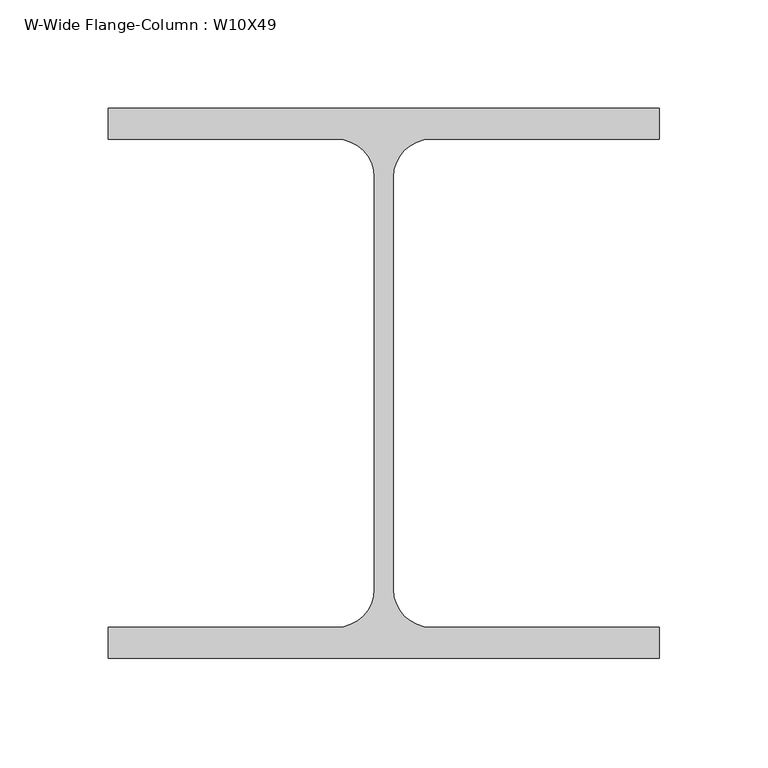
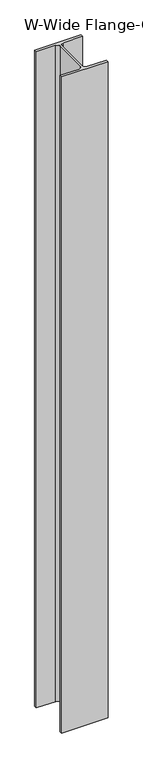
"""IFC4 building model written with IfcOpenShell, lengths in millimetres: column geometry, W-Wide Flange-Column : W10X49."""

from ifc_helpers import new_model, si_unit, point, frame, frame_2d, origin, place, context, project, spatial, polyline, circle_curve, trimmed, segment, composite_curve, outline, extrude, source, transform, mapped, element, save


def w_wide_flange_column_w10x49_53966de1(model_context):
    return source(origin(), model_context, "Body", "SweptSolid", [
        extrude(outline(composite_curve([segment(polyline([(127.0, -126.7519531), (-127.0, -126.7519531), (-127.0, -112.5636719), (-21.8777344, -112.5636719)]), True, "CONTINUOUS"), segment(trimmed(circle_curve(frame_2d((-21.8777344, -95.0019531)), 17.5617188), [point((-21.8777344, -112.5636719))], [point((-4.3160156, -95.0019531))], True, "CARTESIAN"), True, "CONTINUOUS"), segment(polyline([(-4.3160156, -95.0019531), (-4.3160156, 95.0019531)]), True, "CONTINUOUS"), segment(trimmed(circle_curve(frame_2d((-21.8777344, 95.0019531)), 17.5617188), [point((-4.3160156, 95.0019531))], [point((-21.8777344, 112.5636719))], True, "CARTESIAN"), True, "CONTINUOUS"), segment(polyline([(-21.8777344, 112.5636719), (-127.0, 112.5636719), (-127.0, 126.7519531), (127.0, 126.7519531), (127.0, 112.5636719), (21.8777344, 112.5636719)]), True, "CONTINUOUS"), segment(trimmed(circle_curve(frame_2d((21.8777344, 95.0019531)), 17.5617187), [point((21.8777344, 112.5636719))], [point((4.3160156, 95.0019531))], True, "CARTESIAN"), True, "CONTINUOUS"), segment(polyline([(4.3160156, 95.0019531), (4.3160156, -95.0019531)]), True, "CONTINUOUS"), segment(trimmed(circle_curve(frame_2d((21.8777344, -95.0019531)), 17.5617187), [point((4.3160156, -95.0019531))], [point((21.8777344, -112.5636719))], True, "CARTESIAN"), True, "CONTINUOUS"), segment(polyline([(21.8777344, -112.5636719), (127.0, -112.5636719), (127.0, -126.7519531)]), True, "CONTINUOUS")], self_intersect=False)), frame((0.0, 0.0, 11150.6), z_axis=(0.0, 0.0, 1.0), x_axis=(1.0, 0.0, 0.0)), (0.0, 0.0, 1.0), 3784.6),
    ])


if __name__ == "__main__":
    model = new_model("IFC4")
    model_context = context("Model", 3, world=origin())
    ifc_project = project(units=[si_unit("LENGTHUNIT", "METRE", prefix="MILLI")], contexts=[model_context])
    site = spatial("IfcSite", under=ifc_project)
    building = spatial("IfcBuilding", under=site)
    placement = place(None, origin())
    w_wide_flange_column_w10x49_shape = w_wide_flange_column_w10x49_53966de1(model_context)
    element("IfcColumn", 1, ObjectType="W-Wide Flange-Column : W10X49", at=placement, inside=building, context=model_context, shape_type="MappedRepresentation", body=[
        mapped(w_wide_flange_column_w10x49_shape, transform((0.0, 0.0, 0.0), x_axis=(1.0, 0.0, 0.0), y_axis=(0.0, 1.0, 0.0), z_axis=(0.0, 0.0, 1.0))),
    ])
    save(model, "model.ifc")
